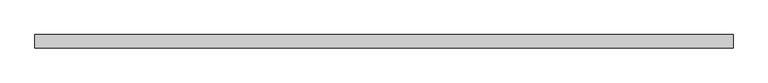
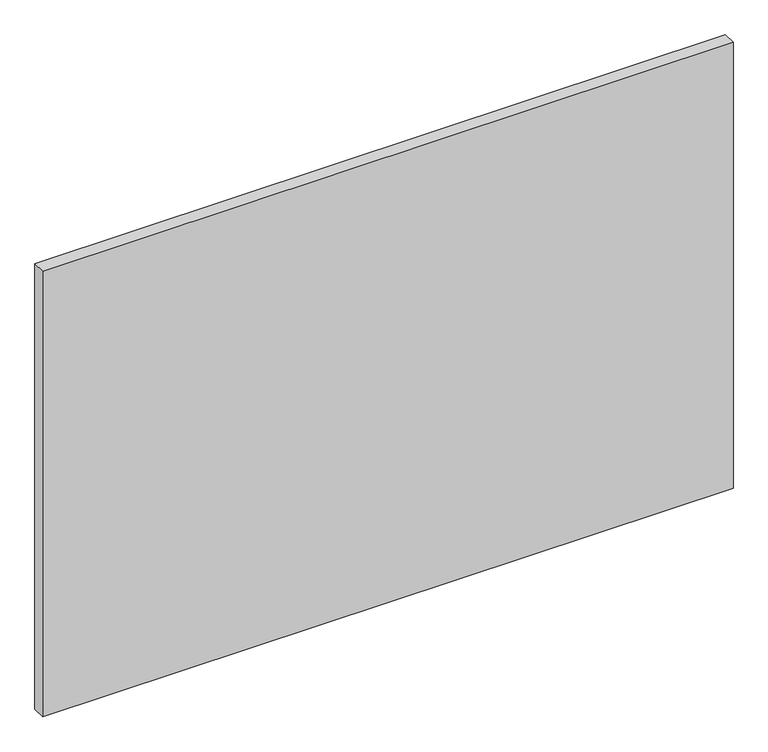
"""IFC4 building model written with IfcOpenShell, lengths in millimetres: proxy geometry."""

from ifc_helpers import new_model, si_unit, origin, origin_with_axes, place, context, project, spatial, polyline, outline, extrude, source, transform, mapped, element, save


def generic_models_7bd45c18(model_context):
    return source(origin(), model_context, "Body", "SweptSolid", [
        extrude(outline(polyline([(1785.5, 0.0), (1785.5, -68.0), (-1785.5, -68.0), (-1785.5, 0.0), (1785.5, 0.0)])), origin_with_axes(), (0.0, 0.0, 1.0), 2436.4),
    ])


if __name__ == "__main__":
    model = new_model("IFC4")
    model_context = context("Model", 3, world=origin())
    ifc_project = project(units=[si_unit("LENGTHUNIT", "METRE", prefix="MILLI")], contexts=[model_context])
    site = spatial("IfcSite", under=ifc_project)
    building = spatial("IfcBuilding", under=site)
    placement = place(None, origin())
    generic_models_shape = generic_models_7bd45c18(model_context)
    element("IfcBuildingElementProxy", 1, Name="Generic Models", at=placement, inside=building, context=model_context, shape_type="MappedRepresentation", body=[
        mapped(generic_models_shape, transform((0.0, 0.0, 0.0), x_axis=(1.0, 0.0, 0.0), y_axis=(0.0, 1.0, 0.0), z_axis=(0.0, 0.0, 1.0))),
    ])
    save(model, "model.ifc")
